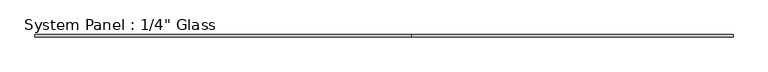
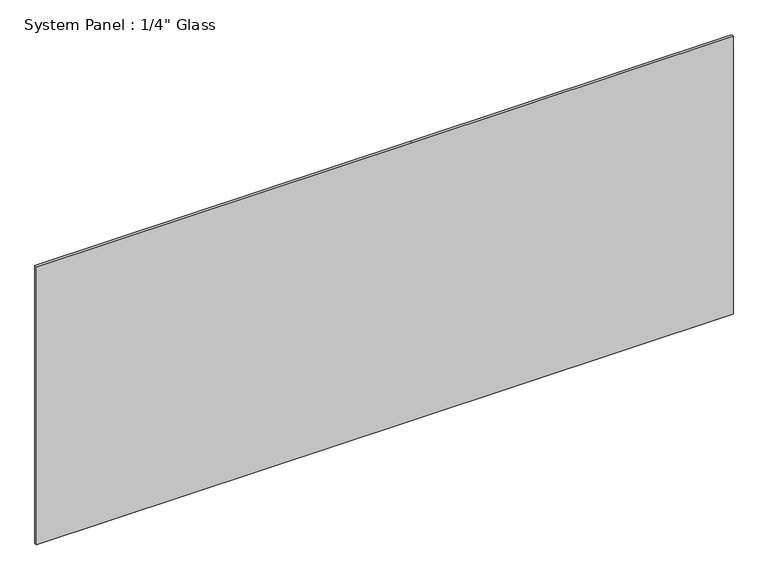
"""IFC4 building model written with IfcOpenShell, lengths in millimetres: plate geometry."""

from ifc_helpers import new_model, si_unit, frame, origin, place, context, project, spatial, polyline, outline, extrude, source, transform, mapped, element, save


def plate_eb0f0ea4(model_context):
    return source(origin(), model_context, "Body", "SweptSolid", [
        extrude(outline(polyline([(0.0, -918.0091185), (0.0, 72.5908815), (0.0, 918.0091185), (774.7, 918.0091185), (774.7, 72.5908815), (774.7, -918.0091185), (0.0, -918.0091185)])), frame((0.0, -3.175, 0.0), z_axis=(0.0, 1.0, 0.0), x_axis=(0.0, 0.0, 1.0)), (0.0, 0.0, 1.0), 6.35),
    ])


if __name__ == "__main__":
    model = new_model("IFC4")
    model_context = context("Model", 3, world=origin())
    ifc_project = project(units=[si_unit("LENGTHUNIT", "METRE", prefix="MILLI")], contexts=[model_context])
    site = spatial("IfcSite", under=ifc_project)
    building = spatial("IfcBuilding", under=site)
    placement = place(None, origin())
    plate_shape = plate_eb0f0ea4(model_context)
    element("IfcPlate", 1, ObjectType="System Panel : 1/4\" Glass", at=placement, inside=building, context=model_context, shape_type="MappedRepresentation", body=[
        mapped(plate_shape, transform((0.0, 0.0, 0.0), x_axis=(1.0, 0.0, 0.0), y_axis=(0.0, 1.0, 0.0), z_axis=(0.0, 0.0, 1.0))),
    ])
    save(model, "model.ifc")
